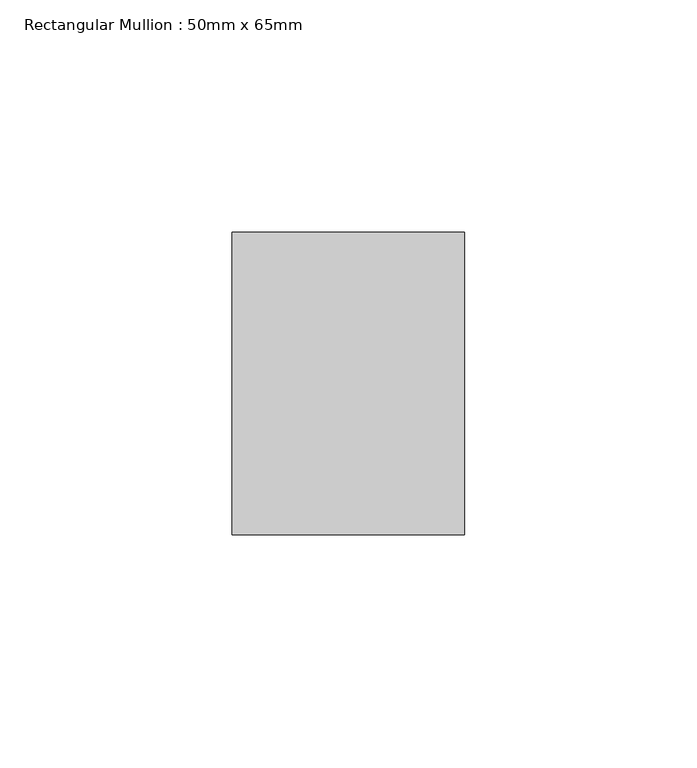
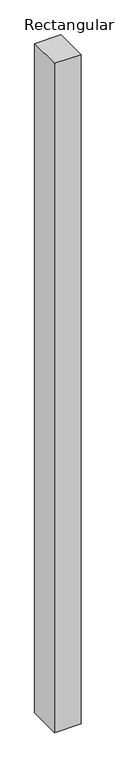
"""IFC4 building model written with IfcOpenShell, lengths in millimetres: member geometry, Rectangular Mullion : 50mm x 65mm."""

from ifc_helpers import new_model, si_unit, frame, origin, place, context, project, spatial, polyline, outline, extrude, source, transform, mapped, element, save


def rectangular_mullion_50mm_x_65mm_8820159d(model_context):
    return source(origin(), model_context, "Body", "SweptSolid", [
        extrude(outline(polyline([(25.0, 32.5), (25.0, -32.5), (-25.0, -32.5), (-25.0, 32.5), (25.0, 32.5)])), frame((0.0, 0.0, -1337.4791927), z_axis=(0.0, 0.0, 1.0), x_axis=(1.0, 0.0, 0.0)), (0.0, 0.0, 1.0), 1337.4791927),
    ])


if __name__ == "__main__":
    model = new_model("IFC4")
    model_context = context("Model", 3, world=origin())
    ifc_project = project(units=[si_unit("LENGTHUNIT", "METRE", prefix="MILLI")], contexts=[model_context])
    site = spatial("IfcSite", under=ifc_project)
    building = spatial("IfcBuilding", under=site)
    placement = place(None, origin())
    rectangular_mullion_50mm_x_65mm_shape = rectangular_mullion_50mm_x_65mm_8820159d(model_context)
    element("IfcMember", 1, ObjectType="Rectangular Mullion : 50mm x 65mm", at=placement, inside=building, context=model_context, shape_type="MappedRepresentation", body=[
        mapped(rectangular_mullion_50mm_x_65mm_shape, transform((0.0, 0.0, 0.0), x_axis=(1.0, 0.0, 0.0), y_axis=(0.0, 1.0, 0.0), z_axis=(0.0, 0.0, 1.0))),
    ])
    save(model, "model.ifc")
